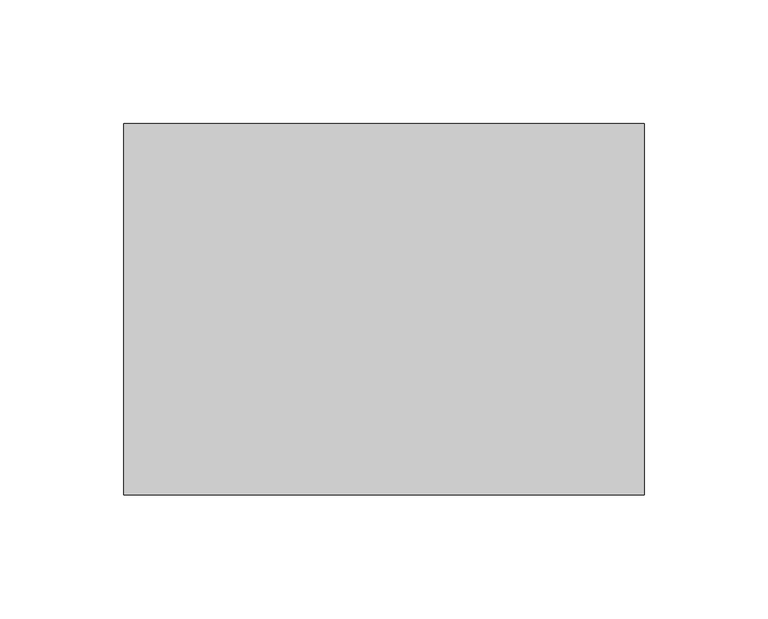
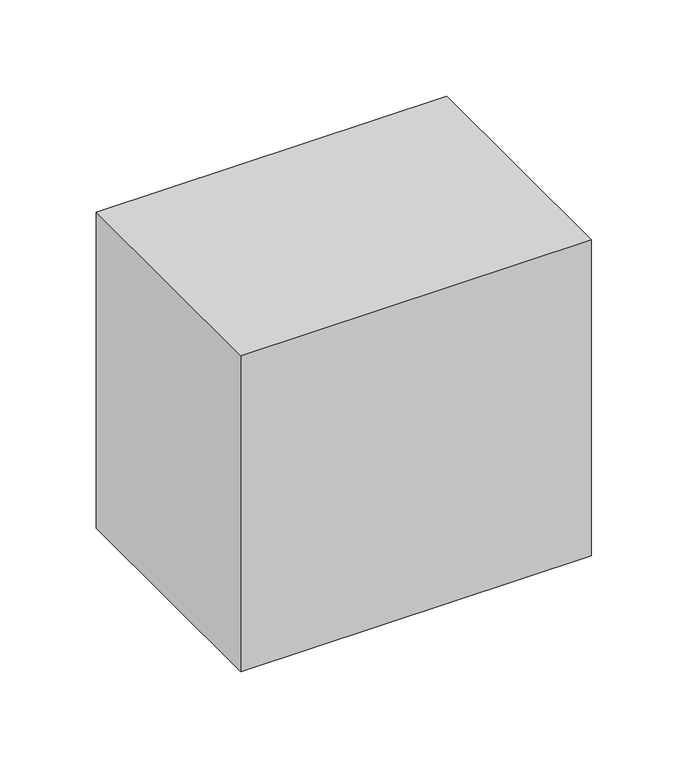
"""IFC4 building model written with IfcOpenShell, lengths in millimetres: proxy geometry."""

from ifc_helpers import new_model, si_unit, frame, origin, place, context, project, spatial, polyline, outline, extrude, source, transform, mapped, element, save


def generic_models_ca8f2968(model_context):
    return source(origin(), model_context, "Body", "SweptSolid", [
        extrude(outline(polyline([(105.0, 75.0), (105.0, -75.0), (-105.0, -75.0), (-105.0, 75.0), (105.0, 75.0)])), frame((0.0, 0.0, -200.0), z_axis=(0.0, 0.0, 1.0), x_axis=(1.0, 0.0, 0.0)), (0.0, 0.0, 1.0), 200.0),
    ])


if __name__ == "__main__":
    model = new_model("IFC4")
    model_context = context("Model", 3, world=origin())
    ifc_project = project(units=[si_unit("LENGTHUNIT", "METRE", prefix="MILLI")], contexts=[model_context])
    site = spatial("IfcSite", under=ifc_project)
    building = spatial("IfcBuilding", under=site)
    placement = place(None, origin())
    generic_models_shape = generic_models_ca8f2968(model_context)
    element("IfcBuildingElementProxy", 1, Name="Generic Models", at=placement, inside=building, context=model_context, shape_type="MappedRepresentation", body=[
        mapped(generic_models_shape, transform((0.0, 0.0, 0.0), x_axis=(1.0, 0.0, 0.0), y_axis=(0.0, 1.0, 0.0), z_axis=(0.0, 0.0, 1.0))),
    ])
    save(model, "model.ifc")
